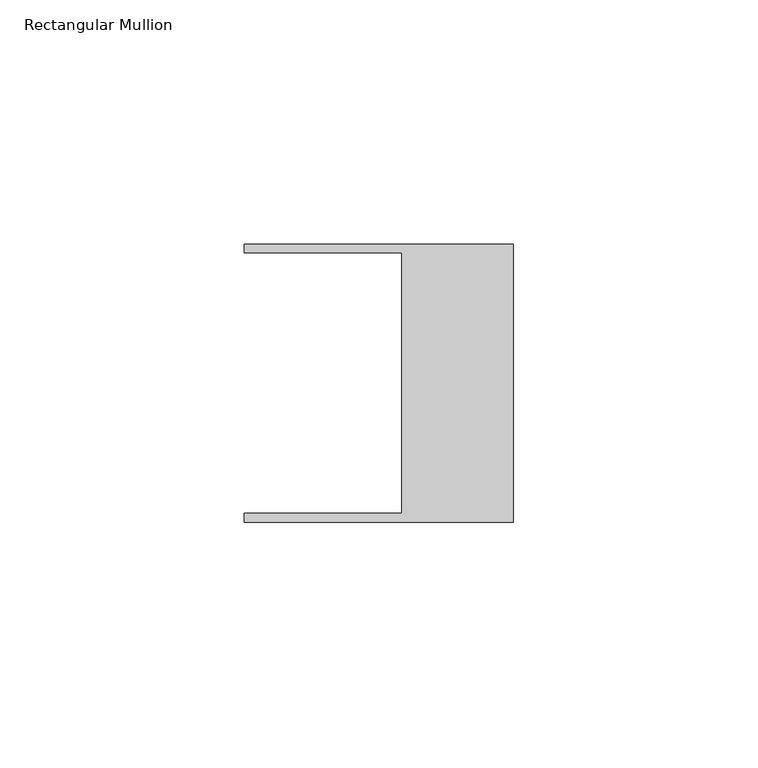
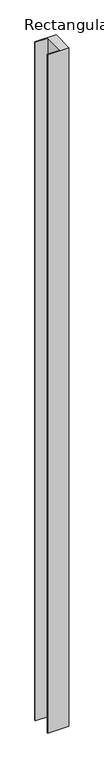
"""IFC4 building model written with IfcOpenShell, lengths in millimetres: member geometry, Rectangular Mullion."""

from ifc_helpers import new_model, si_unit, origin, place, context, project, spatial, faceted_brep, source, transform, mapped, element, save


def rectangular_mullion_3bd86ab0(model_context):
    return source(origin(), model_context, "Body", "Brep", [
        faceted_brep([(-55.118, 26.67, 0.0), (-22.86, 26.67, 0.0), (-22.86, -26.67, 0.0), (-55.118, -26.67, 0.0), (-55.118, -28.448, 0.0), (0.0, -28.448, 0.0), (0.0, 28.448, 0.0), (-55.118, 28.448, 0.0), (-55.118, 26.67, -1856.0098818), (-22.86, 26.67, -1856.0098818), (-22.86, -26.67, -1856.0662701), (-55.118, -26.67, -1856.0662701), (-55.118, -28.448, -1856.0681498), (0.0, -28.448, -1856.0681498), (0.0, 28.448, -1856.0080022), (-55.118, 28.448, -1856.0080022)], [[[0, 1, 2, 3, 4, 5, 6, 7]], [[1, 0, 8, 9]], [[2, 1, 9, 10]], [[3, 2, 10, 11]], [[4, 3, 11, 12]], [[5, 4, 12, 13]], [[6, 5, 13, 14]], [[7, 6, 14, 15]], [[0, 7, 15, 8]], [[8, 15, 14, 13, 12, 11, 10, 9]]]),
    ])


if __name__ == "__main__":
    model = new_model("IFC4")
    model_context = context("Model", 3, world=origin())
    ifc_project = project(units=[si_unit("LENGTHUNIT", "METRE", prefix="MILLI")], contexts=[model_context])
    site = spatial("IfcSite", under=ifc_project)
    building = spatial("IfcBuilding", under=site)
    placement = place(None, origin())
    rectangular_mullion_shape = rectangular_mullion_3bd86ab0(model_context)
    element("IfcMember", 1, ObjectType="Rectangular Mullion", at=placement, inside=building, context=model_context, shape_type="MappedRepresentation", body=[
        mapped(rectangular_mullion_shape, transform((0.0, 0.0, 0.0), x_axis=(1.0, 0.0, 0.0), y_axis=(0.0, 1.0, 0.0), z_axis=(0.0, 0.0, 1.0))),
    ])
    save(model, "model.ifc")
